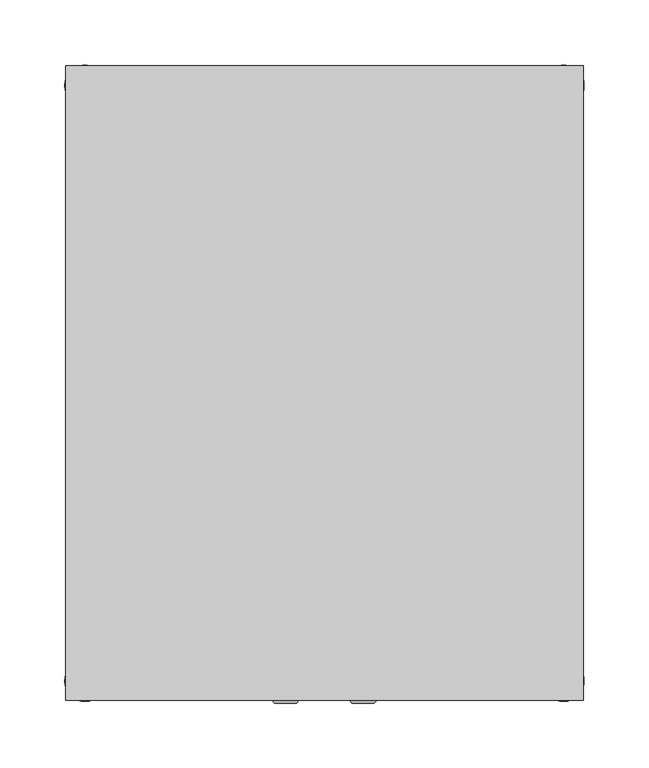
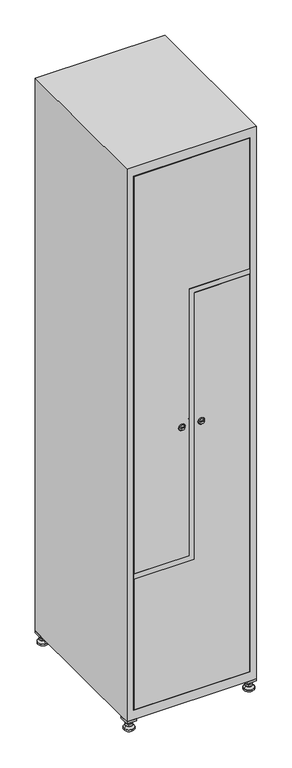
"""IFC4 building model written with IfcOpenShell, lengths in millimetres: furniture geometry."""

from ifc_helpers import new_model, si_unit, point, frame, frame_2d, origin, origin_with_axes, place, context, project, spatial, polyline, circle_curve, trimmed, segment, composite_curve, outline, extrude, faceted_brep, source, transform, mapped, element, save
from ifc_brep_helpers import plane_surface, revolved_surface, advanced_brep


def furniture_0718468b(model_context):
    return source(origin(), model_context, "Body", "SolidModel", [
        extrude(outline(polyline([(200.0, 245.0), (200.0, 215.0), (170.0, 215.0), (170.0, 245.0), (200.0, 245.0)]), holes=[polyline([(198.0, 243.0), (172.0, 243.0), (172.0, 217.0), (198.0, 217.0), (198.0, 243.0)])]), frame((0.0, 0.0, 28.5), z_axis=(0.0, 0.0, 1.0), x_axis=(1.0, 0.0, 0.0)), (0.0, 0.0, 1.0), 6.5),
        extrude(outline(polyline([(170.0, -245.0), (170.0, -215.0), (200.0, -215.0), (200.0, -245.0), (170.0, -245.0)]), holes=[polyline([(172.0, -243.0), (198.0, -243.0), (198.0, -217.0), (172.0, -217.0), (172.0, -243.0)])]), frame((0.0, 0.0, 28.5), z_axis=(0.0, 0.0, 1.0), x_axis=(1.0, 0.0, 0.0)), (0.0, 0.0, 1.0), 6.5),
        extrude(outline(polyline([(-170.0, 245.0), (-170.0, 215.0), (-200.0, 215.0), (-200.0, 245.0), (-170.0, 245.0)]), holes=[polyline([(-172.0, 243.0), (-198.0, 243.0), (-198.0, 217.0), (-172.0, 217.0), (-172.0, 243.0)])]), frame((0.0, 0.0, 28.5), z_axis=(0.0, 0.0, 1.0), x_axis=(1.0, 0.0, 0.0)), (0.0, 0.0, 1.0), 6.5),
        extrude(outline(polyline([(-170.0, -215.0), (-170.0, -245.0), (-200.0, -245.0), (-200.0, -215.0), (-170.0, -215.0)]), holes=[polyline([(-198.0, -243.0), (-172.0, -243.0), (-172.0, -217.0), (-198.0, -217.0), (-198.0, -243.0)])]), frame((0.0, 0.0, 28.5), z_axis=(0.0, 0.0, 1.0), x_axis=(1.0, 0.0, 0.0)), (0.0, 0.0, 1.0), 6.5),
        extrude(outline(composite_curve([segment(trimmed(circle_curve(frame_2d((-185.0, 230.0)), 5.0), [point((-180.0, 230.0))], [point((-190.0, 230.0))], False, "CARTESIAN"), True, "CONTINUOUS"), segment(trimmed(circle_curve(frame_2d((-185.0, 230.0)), 5.0), [point((-190.0, 230.0))], [point((-180.0, 230.0))], False, "CARTESIAN"), True, "CONTINUOUS")], self_intersect=False)), frame((0.0, 0.0, 19.6), z_axis=(0.0, 0.0, 1.0), x_axis=(1.0, 0.0, 0.0)), (0.0, 0.0, 1.0), 15.4),
        extrude(outline(composite_curve([segment(trimmed(circle_curve(frame_2d((-185.0, -230.0)), 5.0), [point((-180.0, -230.0))], [point((-190.0, -230.0))], False, "CARTESIAN"), True, "CONTINUOUS"), segment(trimmed(circle_curve(frame_2d((-185.0, -230.0)), 5.0), [point((-190.0, -230.0))], [point((-180.0, -230.0))], False, "CARTESIAN"), True, "CONTINUOUS")], self_intersect=False)), frame((0.0, 0.0, 19.6), z_axis=(0.0, 0.0, 1.0), x_axis=(1.0, 0.0, 0.0)), (0.0, 0.0, 1.0), 15.4),
        extrude(outline(composite_curve([segment(trimmed(circle_curve(frame_2d((185.0, 230.0)), 5.0), [point((190.0, 230.0))], [point((180.0, 230.0))], False, "CARTESIAN"), True, "CONTINUOUS"), segment(trimmed(circle_curve(frame_2d((185.0, 230.0)), 5.0), [point((180.0, 230.0))], [point((190.0, 230.0))], False, "CARTESIAN"), True, "CONTINUOUS")], self_intersect=False)), frame((0.0, 0.0, 19.6), z_axis=(0.0, 0.0, 1.0), x_axis=(1.0, 0.0, 0.0)), (0.0, 0.0, 1.0), 15.4),
        extrude(outline(polyline([(173.4529946, 230.0), (179.2264973, 240.0), (190.7735027, 240.0), (196.5470054, 230.0), (190.7735027, 220.0), (179.2264973, 220.0), (173.4529946, 230.0)])), frame((0.0, 0.0, 13.6), z_axis=(0.0, 0.0, 1.0), x_axis=(1.0, 0.0, 0.0)), (0.0, 0.0, 1.0), 6.0),
        extrude(outline(composite_curve([segment(trimmed(circle_curve(frame_2d((185.0, -230.0)), 5.0), [point((190.0, -230.0))], [point((180.0, -230.0))], False, "CARTESIAN"), True, "CONTINUOUS"), segment(trimmed(circle_curve(frame_2d((185.0, -230.0)), 5.0), [point((180.0, -230.0))], [point((190.0, -230.0))], False, "CARTESIAN"), True, "CONTINUOUS")], self_intersect=False)), frame((0.0, 0.0, 19.6), z_axis=(0.0, 0.0, 1.0), x_axis=(1.0, 0.0, 0.0)), (0.0, 0.0, 1.0), 15.4),
        extrude(outline(polyline([(173.4529946, -230.0), (179.2264973, -220.0), (190.7735027, -220.0), (196.5470054, -230.0), (190.7735027, -240.0), (179.2264973, -240.0), (173.4529946, -230.0)])), frame((0.0, 0.0, 13.6), z_axis=(0.0, 0.0, 1.0), x_axis=(1.0, 0.0, 0.0)), (0.0, 0.0, 1.0), 6.0),
        extrude(outline(composite_curve([segment(trimmed(circle_curve(frame_2d((185.0, 230.0)), 5.0), [point((190.0, 230.0))], [point((180.0, 230.0))], False, "CARTESIAN"), True, "CONTINUOUS"), segment(trimmed(circle_curve(frame_2d((185.0, 230.0)), 5.0), [point((180.0, 230.0))], [point((190.0, 230.0))], False, "CARTESIAN"), True, "CONTINUOUS")], self_intersect=False)), frame((0.0, 0.0, 12.1), z_axis=(0.0, 0.0, 1.0), x_axis=(1.0, 0.0, 0.0)), (0.0, 0.0, 1.0), 1.5),
        extrude(outline(composite_curve([segment(trimmed(circle_curve(frame_2d((185.0, -230.0)), 5.0), [point((190.0, -230.0))], [point((180.0, -230.0))], False, "CARTESIAN"), True, "CONTINUOUS"), segment(trimmed(circle_curve(frame_2d((185.0, -230.0)), 5.0), [point((180.0, -230.0))], [point((190.0, -230.0))], False, "CARTESIAN"), True, "CONTINUOUS")], self_intersect=False)), frame((0.0, 0.0, 12.1), z_axis=(0.0, 0.0, 1.0), x_axis=(1.0, 0.0, 0.0)), (0.0, 0.0, 1.0), 1.5),
        extrude(outline(polyline([(-196.5470054, 230.0), (-190.7735027, 240.0), (-179.2264973, 240.0), (-173.4529946, 230.0), (-179.2264973, 220.0), (-190.7735027, 220.0), (-196.5470054, 230.0)])), frame((0.0, 0.0, 13.6), z_axis=(0.0, 0.0, 1.0), x_axis=(1.0, 0.0, 0.0)), (0.0, 0.0, 1.0), 6.0),
        extrude(outline(polyline([(-196.5470054, -230.0), (-190.7735027, -220.0), (-179.2264973, -220.0), (-173.4529946, -230.0), (-179.2264973, -240.0), (-190.7735027, -240.0), (-196.5470054, -230.0)])), frame((0.0, 0.0, 13.6), z_axis=(0.0, 0.0, 1.0), x_axis=(1.0, 0.0, 0.0)), (0.0, 0.0, 1.0), 6.0),
        extrude(outline(composite_curve([segment(trimmed(circle_curve(frame_2d((-185.0, 230.0)), 5.0), [point((-185.0, 235.0))], [point((-185.0, 225.0))], False, "CARTESIAN"), True, "CONTINUOUS"), segment(trimmed(circle_curve(frame_2d((-185.0, 230.0)), 5.0), [point((-185.0, 225.0))], [point((-185.0, 235.0))], False, "CARTESIAN"), True, "CONTINUOUS")], self_intersect=False)), frame((0.0, 0.0, 12.1), z_axis=(0.0, 0.0, 1.0), x_axis=(1.0, 0.0, 0.0)), (0.0, 0.0, 1.0), 1.5),
        extrude(outline(composite_curve([segment(trimmed(circle_curve(frame_2d((-185.0, -230.0)), 5.0), [point((-180.0, -230.0))], [point((-190.0, -230.0))], False, "CARTESIAN"), True, "CONTINUOUS"), segment(trimmed(circle_curve(frame_2d((-185.0, -230.0)), 5.0), [point((-190.0, -230.0))], [point((-180.0, -230.0))], False, "CARTESIAN"), True, "CONTINUOUS")], self_intersect=False)), frame((0.0, 0.0, 12.1), z_axis=(0.0, 0.0, 1.0), x_axis=(1.0, 0.0, 0.0)), (0.0, 0.0, 1.0), 1.5),
        extrude(outline(composite_curve([segment(trimmed(circle_curve(frame_2d((185.0, 230.0)), 15.75), [point((200.75, 230.0))], [point((169.25, 230.0))], False, "CARTESIAN"), True, "CONTINUOUS"), segment(trimmed(circle_curve(frame_2d((185.0, 230.0)), 15.75), [point((169.25, 230.0))], [point((200.75, 230.0))], False, "CARTESIAN"), True, "CONTINUOUS")], self_intersect=False)), origin_with_axes(), (0.0, 0.0, 1.0), 5.1),
        extrude(outline(composite_curve([segment(trimmed(circle_curve(frame_2d((185.0, -230.0)), 15.75), [point((185.0, -214.25))], [point((185.0, -245.75))], False, "CARTESIAN"), True, "CONTINUOUS"), segment(trimmed(circle_curve(frame_2d((185.0, -230.0)), 15.75), [point((185.0, -245.75))], [point((185.0, -214.25))], False, "CARTESIAN"), True, "CONTINUOUS")], self_intersect=False)), origin_with_axes(), (0.0, 0.0, 1.0), 5.1),
        extrude(outline(composite_curve([segment(trimmed(circle_curve(frame_2d((-185.0, -230.0)), 15.75), [point((-169.25, -230.0))], [point((-200.75, -230.0))], False, "CARTESIAN"), True, "CONTINUOUS"), segment(trimmed(circle_curve(frame_2d((-185.0, -230.0)), 15.75), [point((-200.75, -230.0))], [point((-169.25, -230.0))], False, "CARTESIAN"), True, "CONTINUOUS")], self_intersect=False)), origin_with_axes(), (0.0, 0.0, 1.0), 5.1),
        extrude(outline(composite_curve([segment(trimmed(circle_curve(frame_2d((-185.0, 230.0)), 15.75), [point((-169.25, 230.0))], [point((-200.75, 230.0))], False, "CARTESIAN"), True, "CONTINUOUS"), segment(trimmed(circle_curve(frame_2d((-185.0, 230.0)), 15.75), [point((-200.75, 230.0))], [point((-169.25, 230.0))], False, "CARTESIAN"), True, "CONTINUOUS")], self_intersect=False)), origin_with_axes(), (0.0, 0.0, 1.0), 5.1),
        advanced_brep(
        [(-185.0, 245.75, 5.1), (-185.0, 214.25, 5.1), (-185.0, 239.5, 12.1), (-185.0, 220.5, 12.1)],
        [
            (0, 1, circle_curve(frame((-185.0, 230.0, 5.1), z_axis=(0.0, 0.0, -1.0), x_axis=(0.0, 1.0, 0.0)), 15.75)),
            (1, 0, circle_curve(frame((-185.0, 230.0, 5.1), z_axis=(0.0, 0.0, -1.0), x_axis=(0.0, -1.0, 0.0)), 15.75)),
            (2, 3, circle_curve(frame((-185.0, 230.0, 12.1), z_axis=(0.0, 0.0, 1.0), x_axis=(0.0, -1.0, 0.0)), 9.5)),
            (3, 2, circle_curve(frame((-185.0, 230.0, 12.1), z_axis=(0.0, 0.0, 1.0), x_axis=(0.0, 1.0, 0.0)), 9.5)),
            (3, 1),
            (0, 2),
        ],
        [
            plane_surface(frame((-185.0, 230.0, 5.1), z_axis=(0.0, 0.0, -1.0), x_axis=(1.0, 0.0, 0.0))),
            plane_surface(frame((-185.0, 230.0, 12.1), z_axis=(0.0, 0.0, 1.0), x_axis=(1.0, 0.0, 0.0))),
            revolved_surface(polyline([(-185.0, 220.5, 12.099999999999998), (-185.0, 214.25, 5.099999999999998)]), (-185.0, 230.0, 22.74), (0.0, 0.0, -1.0)),
            revolved_surface(polyline([(-185.0, 239.5, 12.099999999999998), (-185.0, 245.75, 5.099999999999998)]), (-185.0, 230.0, 22.74), (0.0, 0.0, -1.0)),
        ],
        [
            (0, [[1, 2]]),
            (1, [[3, 4]]),
            (2, [[-4, 5, -1, 6]]),
            (3, [[-3, -6, -2, -5]]),
        ],
    ),
        advanced_brep(
        [(185.0, 245.75, 5.1), (185.0, 214.25, 5.1), (185.0, 239.5, 12.1), (185.0, 220.5, 12.1)],
        [
            (0, 1, circle_curve(frame((185.0, 230.0, 5.1), z_axis=(0.0, 0.0, -1.0), x_axis=(0.0, 1.0, 0.0)), 15.75)),
            (1, 0, circle_curve(frame((185.0, 230.0, 5.1), z_axis=(0.0, 0.0, -1.0), x_axis=(0.0, -1.0, 0.0)), 15.75)),
            (2, 3, circle_curve(frame((185.0, 230.0, 12.1), z_axis=(0.0, 0.0, 1.0), x_axis=(0.0, -1.0, 0.0)), 9.5)),
            (3, 2, circle_curve(frame((185.0, 230.0, 12.1), z_axis=(0.0, 0.0, 1.0), x_axis=(0.0, 1.0, 0.0)), 9.5)),
            (3, 1),
            (0, 2),
        ],
        [
            plane_surface(frame((185.0, 230.0, 5.1), z_axis=(0.0, 0.0, -1.0), x_axis=(1.0, 0.0, 0.0))),
            plane_surface(frame((185.0, 230.0, 12.1), z_axis=(0.0, 0.0, 1.0), x_axis=(1.0, 0.0, 0.0))),
            revolved_surface(polyline([(185.0, 220.5, 12.099999999999998), (185.0, 214.25, 5.099999999999998)]), (185.0, 230.0, 22.74), (0.0, 0.0, -1.0)),
            revolved_surface(polyline([(185.0, 239.5, 12.099999999999998), (185.0, 245.75, 5.099999999999998)]), (185.0, 230.0, 22.74), (0.0, 0.0, -1.0)),
        ],
        [
            (0, [[1, 2]]),
            (1, [[3, 4]]),
            (2, [[-4, 5, -1, 6]]),
            (3, [[-3, -6, -2, -5]]),
        ],
    ),
        advanced_brep(
        [(194.5, -230.0, 12.1), (175.5, -230.0, 12.1), (200.75, -230.0, 5.1), (169.25, -230.0, 5.1)],
        [
            (0, 1, circle_curve(frame((185.0, -230.0, 12.1), z_axis=(0.0, 0.0, 1.0), x_axis=(1.0, 0.0, 0.0)), 9.5)),
            (1, 0, circle_curve(frame((185.0, -230.0, 12.1), z_axis=(0.0, 0.0, 1.0), x_axis=(-1.0, 0.0, 0.0)), 9.5)),
            (2, 3, circle_curve(frame((185.0, -230.0, 5.1), z_axis=(0.0, 0.0, -1.0), x_axis=(-1.0, 0.0, 0.0)), 15.75)),
            (3, 2, circle_curve(frame((185.0, -230.0, 5.1), z_axis=(0.0, 0.0, -1.0), x_axis=(1.0, 0.0, 0.0)), 15.75)),
            (3, 1),
            (0, 2),
        ],
        [
            plane_surface(frame((185.0, -230.0, 12.1), z_axis=(0.0, 0.0, 1.0), x_axis=(0.0, 1.0, 0.0))),
            plane_surface(frame((185.0, -230.0, 5.1), z_axis=(0.0, 0.0, -1.0), x_axis=(0.0, 1.0, 0.0))),
            revolved_surface(polyline([(194.5, -230.0, 12.099999999999998), (200.75, -230.0, 5.099999999999998)]), (185.0, -230.0, 22.74), (0.0, 0.0, -1.0)),
            revolved_surface(polyline([(175.5, -230.0, 12.099999999999998), (169.25, -230.0, 5.099999999999998)]), (185.0, -230.0, 22.74), (0.0, 0.0, -1.0)),
        ],
        [
            (0, [[1, 2]]),
            (1, [[3, 4]]),
            (2, [[-4, 5, -1, 6]]),
            (3, [[-3, -6, -2, -5]]),
        ],
    ),
        advanced_brep(
        [(-175.5, -230.0, 12.1), (-194.5, -230.0, 12.1), (-169.25, -230.0, 5.1), (-200.75, -230.0, 5.1)],
        [
            (0, 1, circle_curve(frame((-185.0, -230.0, 12.1), z_axis=(0.0, 0.0, 1.0), x_axis=(1.0, 0.0, 0.0)), 9.5)),
            (1, 0, circle_curve(frame((-185.0, -230.0, 12.1), z_axis=(0.0, 0.0, 1.0), x_axis=(-1.0, 0.0, 0.0)), 9.5)),
            (2, 3, circle_curve(frame((-185.0, -230.0, 5.1), z_axis=(0.0, 0.0, -1.0), x_axis=(-1.0, 0.0, 0.0)), 15.75)),
            (3, 2, circle_curve(frame((-185.0, -230.0, 5.1), z_axis=(0.0, 0.0, -1.0), x_axis=(1.0, 0.0, 0.0)), 15.75)),
            (3, 1),
            (0, 2),
        ],
        [
            plane_surface(frame((-185.0, -230.0, 12.1), z_axis=(0.0, 0.0, 1.0), x_axis=(0.0, 1.0, 0.0))),
            plane_surface(frame((-185.0, -230.0, 5.1), z_axis=(0.0, 0.0, -1.0), x_axis=(0.0, 1.0, 0.0))),
            revolved_surface(polyline([(-175.5, -230.0, 12.099999999999998), (-169.25, -230.0, 5.099999999999998)]), (-185.0, -230.0, 22.74), (0.0, 0.0, -1.0)),
            revolved_surface(polyline([(-194.5, -230.0, 12.099999999999998), (-200.75, -230.0, 5.099999999999998)]), (-185.0, -230.0, 22.74), (0.0, 0.0, -1.0)),
        ],
        [
            (0, [[1, 2]]),
            (1, [[3, 4]]),
            (2, [[-4, 5, -1, 6]]),
            (3, [[-3, -6, -2, -5]]),
        ],
    ),
        extrude(outline(composite_curve([segment(trimmed(circle_curve(frame_2d((935.0, -3.2010534)), 7.0), [point((928.0, -3.2010534))], [point((942.0, -3.2010534))], False, "CARTESIAN"), True, "CONTINUOUS"), segment(polyline([(942.0, -3.2010534), (942.0, -31.2010534)]), True, "CONTINUOUS"), segment(trimmed(circle_curve(frame_2d((935.0, -31.2010534)), 7.0), [point((942.0, -31.2010534))], [point((928.0, -31.2010534))], False, "CARTESIAN"), True, "CONTINUOUS"), segment(polyline([(928.0, -31.2010534), (928.0, -3.2010534)]), True, "CONTINUOUS")], self_intersect=False)), frame((0.0, -227.0, 0.0), z_axis=(0.0, 1.0, 0.0), x_axis=(0.0, 0.0, 1.0)), (0.0, 0.0, 1.0), 2.0),
        advanced_brep(
        [(-38.5, -247.2, 935.0), (-21.5, -247.2, 935.0), (-25.0, -247.2, 936.25), (-25.0, -247.2, 933.75), (-35.0, -247.2, 933.75), (-35.0, -247.2, 936.25), (-40.5, -245.0, 935.0), (-19.5, -245.0, 935.0), (-25.0, -245.0, 933.75), (-25.0, -245.0, 936.25), (-35.0, -245.0, 936.25), (-35.0, -245.0, 933.75)],
        [
            (0, 1, circle_curve(frame((-30.0, -247.2, 935.0), z_axis=(0.0, -1.0, 0.0), x_axis=(-1.0, 0.0, 0.0)), 8.5)),
            (1, 0, circle_curve(frame((-30.0, -247.2, 935.0), z_axis=(0.0, -1.0, 0.0), x_axis=(1.0, 0.0, 0.0)), 8.5)),
            (2, 3),
            (3, 4),
            (4, 5),
            (5, 2),
            (6, 7, circle_curve(frame((-30.0, -245.0, 935.0), z_axis=(0.0, 1.0, 0.0), x_axis=(1.0, 0.0, 0.0)), 10.5)),
            (7, 6, circle_curve(frame((-30.0, -245.0, 935.0), z_axis=(0.0, 1.0, 0.0), x_axis=(-1.0, 0.0, 0.0)), 10.5)),
            (8, 9),
            (9, 10),
            (10, 11),
            (11, 8),
            (0, 6),
            (7, 1),
            (8, 3),
            (2, 9),
            (11, 4),
            (10, 5),
        ],
        [
            plane_surface(frame((-30.0, -247.2, 935.0), z_axis=(0.0, -1.0, 0.0), x_axis=(0.0, 0.0, -1.0))),
            plane_surface(frame((-30.0, -245.0, 935.0), z_axis=(0.0, 1.0, 0.0), x_axis=(0.0, 0.0, -1.0))),
            revolved_surface(polyline([(-38.500000000000014, -247.2, 935.0), (-40.5, -245.0, 935.0)]), (-30.0, -256.55, 935.0), (0.0, 1.0, 0.0)),
            revolved_surface(polyline([(-21.499999999999986, -247.2, 935.0), (-19.5, -245.0, 935.0)]), (-30.0, -256.55, 935.0), (0.0, 1.0, 0.0)),
            plane_surface(frame((-25.0, -245.0, 936.25), z_axis=(-1.0, 0.0, 0.0), x_axis=(0.0, -1.0, 0.0))),
            plane_surface(frame((-25.0, -245.0, 933.75), z_axis=(0.0, 0.0, 1.0), x_axis=(0.0, -1.0, 0.0))),
            plane_surface(frame((-35.0, -245.0, 933.75), z_axis=(1.0, 0.0, 0.0), x_axis=(0.0, -1.0, 0.0))),
            plane_surface(frame((-35.0, -245.0, 936.25), z_axis=(0.0, 0.0, -1.0), x_axis=(0.0, -1.0, 0.0))),
        ],
        [
            (0, [[1, 2], [3, 4, 5, 6]]),
            (1, [[7, 8], [9, 10, 11, 12]]),
            (2, [[-1, 13, -8, 14]]),
            (3, [[-2, -14, -7, -13]]),
            (4, [[15, -3, 16, -9]]),
            (5, [[-15, -12, 17, -4]]),
            (6, [[-17, -11, 18, -5]]),
            (7, [[-16, -6, -18, -10]]),
        ],
    ),
        extrude(outline(polyline([(1803.8, -178.6), (509.6, -178.6), (509.6, -9.0), (1378.4, -9.0), (1378.4, 178.6), (1803.8, 178.6), (1803.8, -178.6)])), frame((0.0, -245.0, 0.0), z_axis=(0.0, 1.0, 0.0), x_axis=(0.0, 0.0, 1.0)), (0.0, 0.0, 1.0), 18.0),
        extrude(outline(composite_curve([segment(trimmed(circle_curve(frame_2d((935.0, 3.2010534)), 7.0), [point((942.0, 3.2010534))], [point((928.0, 3.2010534))], False, "CARTESIAN"), True, "CONTINUOUS"), segment(polyline([(928.0, 3.2010534), (928.0, 31.2010534)]), True, "CONTINUOUS"), segment(trimmed(circle_curve(frame_2d((935.0, 31.2010534)), 7.0), [point((928.0, 31.2010534))], [point((942.0, 31.2010534))], False, "CARTESIAN"), True, "CONTINUOUS"), segment(polyline([(942.0, 31.2010534), (942.0, 3.2010534)]), True, "CONTINUOUS")], self_intersect=False)), frame((0.0, -227.0, 0.0), z_axis=(0.0, 1.0, 0.0), x_axis=(0.0, 0.0, 1.0)), (0.0, 0.0, 1.0), 2.0),
        advanced_brep(
        [(38.5, -247.2, 935.0), (21.5, -247.2, 935.0), (25.0, -247.2, 933.75), (25.0, -247.2, 936.25), (35.0, -247.2, 936.25), (35.0, -247.2, 933.75), (40.5, -245.0, 935.0), (19.5, -245.0, 935.0), (25.0, -245.0, 936.25), (25.0, -245.0, 933.75), (35.0, -245.0, 933.75), (35.0, -245.0, 936.25)],
        [
            (0, 1, circle_curve(frame((30.0, -247.2, 935.0), z_axis=(0.0, -1.0, 0.0), x_axis=(1.0, 0.0, 0.0)), 8.5)),
            (1, 0, circle_curve(frame((30.0, -247.2, 935.0), z_axis=(0.0, -1.0, 0.0), x_axis=(-1.0, 0.0, 0.0)), 8.5)),
            (2, 3),
            (3, 4),
            (4, 5),
            (5, 2),
            (6, 7, circle_curve(frame((30.0, -245.0, 935.0), z_axis=(0.0, 1.0, 0.0), x_axis=(-1.0, 0.0, 0.0)), 10.5)),
            (7, 6, circle_curve(frame((30.0, -245.0, 935.0), z_axis=(0.0, 1.0, 0.0), x_axis=(1.0, 0.0, 0.0)), 10.5)),
            (8, 9),
            (9, 10),
            (10, 11),
            (11, 8),
            (0, 6),
            (7, 1),
            (8, 3),
            (2, 9),
            (11, 4),
            (10, 5),
        ],
        [
            plane_surface(frame((30.0, -247.2, 935.0), z_axis=(0.0, -1.0, 0.0), x_axis=(0.0, 0.0, 1.0))),
            plane_surface(frame((30.0, -245.0, 935.0), z_axis=(0.0, 1.0, 0.0), x_axis=(0.0, 0.0, 1.0))),
            revolved_surface(polyline([(38.500000000000014, -247.2, 935.0), (40.5, -245.0, 935.0)]), (30.0, -256.55, 935.0), (0.0, 1.0, 0.0)),
            revolved_surface(polyline([(21.499999999999986, -247.2, 935.0), (19.5, -245.0, 935.0)]), (30.0, -256.55, 935.0), (0.0, 1.0, 0.0)),
            plane_surface(frame((25.0, -245.0, 933.75), z_axis=(1.0, 0.0, 0.0), x_axis=(0.0, -1.0, 0.0))),
            plane_surface(frame((25.0, -245.0, 936.25), z_axis=(0.0, 0.0, -1.0), x_axis=(0.0, -1.0, 0.0))),
            plane_surface(frame((35.0, -245.0, 936.25), z_axis=(-1.0, 0.0, 0.0), x_axis=(0.0, -1.0, 0.0))),
            plane_surface(frame((35.0, -245.0, 933.75), z_axis=(0.0, 0.0, 1.0), x_axis=(0.0, -1.0, 0.0))),
        ],
        [
            (0, [[1, 2], [3, 4, 5, 6]]),
            (1, [[7, 8], [9, 10, 11, 12]]),
            (2, [[-1, 13, -8, 14]]),
            (3, [[-2, -14, -7, -13]]),
            (4, [[15, -3, 16, -9]]),
            (5, [[-15, -12, 17, -4]]),
            (6, [[-17, -11, 18, -5]]),
            (7, [[-16, -6, -18, -10]]),
        ],
    ),
        extrude(outline(polyline([(66.2, 178.6), (1360.4, 178.6), (1360.4, 9.0), (491.6, 9.0), (491.6, -178.6), (66.2, -178.6), (66.2, 178.6)])), frame((0.0, -245.0, 0.0), z_axis=(0.0, 1.0, 0.0), x_axis=(0.0, 0.0, 1.0)), (0.0, 0.0, 1.0), 18.0),
        extrude(outline(polyline([(1361.4, 179.6), (1377.4, 179.6), (1377.4, -8.0), (508.6, -8.0), (508.6, -179.6), (492.6, -179.6), (492.6, 8.0), (1361.4, 8.0), (1361.4, 179.6)])), frame((0.0, -245.0, 0.0), z_axis=(0.0, 1.0, 0.0), x_axis=(0.0, 0.0, 1.0)), (0.0, 0.0, 1.0), 487.0),
        faceted_brep([(200.0, -245.0, 35.0), (200.0, -245.0, 1835.0), (-200.0, -245.0, 1835.0), (-200.0, -245.0, 35.0), (179.6, -245.0, 1804.8), (179.6, -245.0, 65.2), (-179.6, -245.0, 65.2), (-179.6, -245.0, 1804.8), (200.0, 245.0, 35.0), (-200.0, 245.0, 35.0), (200.0, 245.0, 1835.0), (-200.0, 245.0, 1835.0), (179.6, 242.0, 1804.8), (179.6, 242.0, 65.2), (-200.0, 245.0, 1804.8), (-179.6, 242.0, 1804.8), (-179.6, 242.0, 65.2)], [[[0, 1, 2, 3], [4, 5, 6, 7]], [[8, 0, 3, 9]], [[1, 0, 8, 10]], [[1, 10, 11, 2]], [[4, 12, 13, 5]], [[9, 3, 2, 11, 14]], [[10, 8, 9, 14, 11]], [[12, 15, 16, 13]], [[15, 7, 6, 16]], [[4, 7, 15, 12]], [[6, 5, 13, 16]]]),
    ])


if __name__ == "__main__":
    model = new_model("IFC4")
    model_context = context("Model", 3, world=origin())
    ifc_project = project(units=[si_unit("LENGTHUNIT", "METRE", prefix="MILLI")], contexts=[model_context])
    site = spatial("IfcSite", under=ifc_project)
    building = spatial("IfcBuilding", under=site)
    placement = place(None, origin())
    furniture_shape = furniture_0718468b(model_context)
    element("IfcFurniture", 1, at=placement, inside=building, context=model_context, shape_type="MappedRepresentation", body=[
        mapped(furniture_shape, transform((0.0, 0.0, 0.0), x_axis=(1.0, 0.0, 0.0), y_axis=(0.0, 1.0, 0.0), z_axis=(0.0, 0.0, 1.0))),
    ])
    save(model, "model.ifc")
